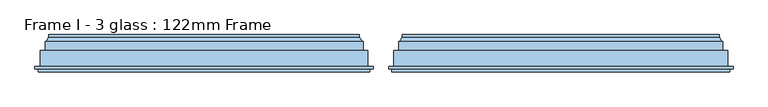
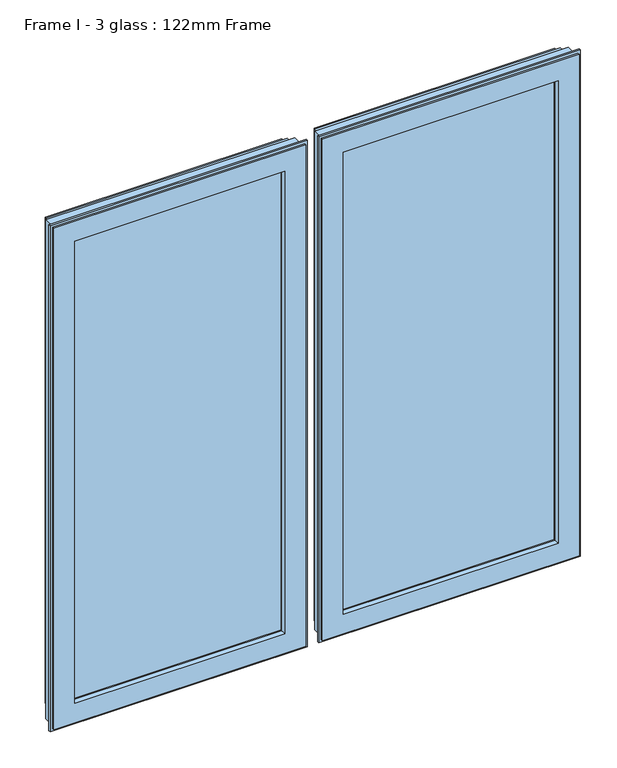
"""IFC4 building model written with IfcOpenShell, lengths in millimetres: window geometry, Frame I - 3 glass : 122mm Frame."""

from ifc_helpers import new_model, si_unit, frame, origin, place, context, project, spatial, polyline, ellipse_curve, outline, extrude, source, transform, mapped, element, save
from ifc_brep_helpers import plane_surface, cylinder_surface, revolved_surface, advanced_brep


def frame_i_3_glass_122mm_frame_a6e06e97(model_context):
    return source(origin(), model_context, "Body", "SolidModel", [
        extrude(outline(polyline([(-296.6666667, 141.0), (297.0666667, 141.0), (297.0666667, 93.0), (-296.6666667, 93.0), (-296.6666667, 141.0)])), frame((0.0, 0.0, 890.0), z_axis=(0.0, 0.0, 1.0), x_axis=(1.0, 0.0, 0.0)), (0.0, 0.0, 1.0), 1320.0),
        advanced_brep(
        [(319.4665133, 153.0, 2232.3998467), (319.4665133, 148.4070391, 2232.3998467), (319.4665133, 148.4070391, 867.6001533), (319.4665133, 153.0, 867.6001533), (324.7406056, 139.5531262, 2237.6739389), (324.7406056, 139.5531262, 862.3260611), (-319.4665133, 148.4070391, 867.6001533), (-319.4665133, 153.0, 867.6001533), (-319.4665133, 153.0, 2232.3998467), (300.0297743, 153.0, 2212.9631076), (-300.0297743, 153.0, 2212.9631076), (-300.0297743, 153.0, 887.0368924), (300.0297743, 153.0, 887.0368924), (326.5800622, 139.5531262, 860.4866045), (-326.5800622, 139.5531262, 860.4866045), (-326.5800622, 139.5531262, 2239.5133955), (326.5800622, 139.5531262, 2239.5133955), (-324.7406056, 139.5531262, 2237.6739389), (-324.7406056, 139.5531262, 862.3260611), (326.5800622, 121.0, 2239.5133955), (326.5800622, 121.0, 860.4866045), (336.5800622, 121.0, 850.4866045), (-336.5800622, 121.0, 850.4866045), (-336.5800622, 121.0, 2249.5133955), (336.5800622, 121.0, 2249.5133955), (-326.5800622, 121.0, 2239.5133955), (-326.5800622, 121.0, 860.4866045), (336.5800622, 88.5, 2249.5133955), (336.5800622, 88.5, 850.4866045), (347.3643666, 88.5, 839.7023001), (-347.3643666, 88.5, 839.7023001), (-347.3643666, 88.5, 2260.2977), (347.3643666, 88.5, 2260.2977), (-336.5800622, 88.5, 2249.5133955), (-336.5800622, 88.5, 850.4866045), (347.3643666, 83.5, 2260.2977), (347.3643666, 83.5, 839.7023001), (-347.3643666, 83.5, 2260.2977), (-347.3643666, 83.5, 839.7023001), (340.5666667, 83.5, 846.5), (-340.5666667, 83.5, 846.5), (-340.5666667, 83.5, 2253.5), (340.5666667, 83.5, 2253.5), (340.5666667, 78.0, 2253.5), (340.5666667, 78.0, 846.5), (-340.5666667, 78.0, 2253.5), (-340.5666667, 78.0, 846.5), (285.3824483, 78.0, 901.6842184), (-285.3824483, 78.0, 901.6842184), (-285.3824483, 78.0, 2198.3157816), (285.3824483, 78.0, 2198.3157816), (283.0669733, 88.8934531, 2196.0003067), (283.0669733, 88.8934531, 903.9996933), (283.0669733, 93.0, 2196.0003067), (283.0669733, 93.0, 903.9996933), (-283.0669733, 88.8934531, 903.9996933), (297.0666667, 93.0, 890.0), (-297.0666667, 93.0, 890.0), (-297.0666667, 93.0, 2210.0), (297.0666667, 93.0, 2210.0), (-283.0669733, 93.0, 2196.0003067), (-283.0669733, 93.0, 903.9996933), (297.0666667, 141.0, 2210.0), (297.0666667, 141.0, 890.0), (-297.0666667, 141.0, 2210.0), (-297.0666667, 141.0, 890.0), (282.6545152, 141.0, 904.4121514), (-282.6545152, 141.0, 904.4121514), (-282.6545152, 141.0, 2195.5878486), (282.6545152, 141.0, 2195.5878486), (286.3232834, 153.0, 2199.2566168), (286.3232834, 153.0, 900.7433832), (293.101571, 153.0, 893.9650956), (-293.101571, 153.0, 893.9650956), (-293.101571, 153.0, 2206.0349044), (293.101571, 153.0, 2206.0349044), (-286.3232834, 153.0, 2199.2566168), (-286.3232834, 153.0, 900.7433832), (294.4006092, 152.25, 2207.3339425), (294.4006092, 152.25, 892.6660575), (298.7307362, 152.25, 2211.6640695), (298.7307362, 152.25, 888.3359305), (-294.4006092, 152.25, 892.6660575), (-298.7307362, 152.25, 888.3359305), (-319.4665133, 148.4070391, 2232.3998467), (-283.0669733, 88.8934531, 2196.0003067), (-294.4006092, 152.25, 2207.3339425), (-298.7307362, 152.25, 2211.6640695)],
        [
            (0, 1),
            (1, 2),
            (2, 3),
            (3, 0),
            (1, 4),
            (4, 5),
            (5, 2),
            (2, 6),
            (6, 7),
            (7, 3),
            (7, 8),
            (8, 0),
            (9, 10),
            (10, 11),
            (11, 12),
            (12, 9),
            (13, 14),
            (14, 15),
            (15, 16),
            (16, 13),
            (4, 17),
            (17, 18),
            (18, 5),
            (18, 6),
            (16, 19),
            (19, 20),
            (20, 13),
            (21, 22),
            (22, 23),
            (23, 24),
            (24, 21),
            (19, 25),
            (25, 26),
            (26, 20),
            (26, 14),
            (24, 27),
            (27, 28),
            (28, 21),
            (29, 30),
            (30, 31),
            (31, 32),
            (32, 29),
            (27, 33),
            (33, 34),
            (34, 28),
            (34, 22),
            (32, 35),
            (35, 36),
            (36, 29),
            (35, 37),
            (37, 38),
            (38, 36),
            (39, 40),
            (40, 41),
            (41, 42),
            (42, 39),
            (38, 30),
            (42, 43),
            (43, 44),
            (44, 39),
            (43, 45),
            (45, 46),
            (46, 44),
            (47, 48),
            (48, 49),
            (49, 50),
            (50, 47),
            (46, 40),
            (50, 51),
            (51, 52),
            (52, 47),
            (51, 53),
            (53, 54),
            (54, 52),
            (52, 55),
            (55, 48),
            (56, 57),
            (57, 58),
            (58, 59),
            (59, 56),
            (53, 60),
            (60, 61),
            (61, 54),
            (61, 55),
            (59, 62),
            (62, 63),
            (63, 56),
            (62, 64),
            (64, 65),
            (65, 63),
            (66, 67),
            (67, 68),
            (68, 69),
            (69, 66),
            (65, 57),
            (69, 70),
            (70, 71),
            (71, 66),
            (72, 73),
            (73, 74),
            (74, 75),
            (75, 72),
            (70, 76),
            (76, 77),
            (77, 71),
            (77, 67),
            (75, 78, ellipse_curve(frame((293.101571, 151.5, 2206.0349044), z_axis=(0.7071067811865474, 0.0, -0.7071067811865476), x_axis=(0.7071067811865475, 0.0, 0.7071067811865475)), 2.1213203, 1.5)),
            (78, 79),
            (79, 72, ellipse_curve(frame((293.101571, 151.5, 893.9650956), z_axis=(0.7071067811865476, 0.0, 0.7071067811865474), x_axis=(-0.7071067811865472, 0.0, 0.7071067811865478)), 2.1213203, 1.5)),
            (78, 80, ellipse_curve(frame((296.5656727, 153.5, 2209.499006), z_axis=(-0.7071067811865474, 0.0, 0.7071067811865476), x_axis=(-0.7071067811865475, 0.0, -0.7071067811865475)), 3.5355339, 2.5)),
            (80, 81),
            (81, 79, ellipse_curve(frame((296.5656727, 153.5, 890.500994), z_axis=(-0.7071067811865476, 0.0, -0.7071067811865474), x_axis=(0.7071067811865472, 0.0, -0.7071067811865478)), 3.5355339, 2.5)),
            (79, 82),
            (82, 73, ellipse_curve(frame((-293.101571, 151.5, 893.9650956), z_axis=(0.7071067811865474, 0.0, -0.7071067811865476), x_axis=(0.7071067811865478, 0.0, 0.7071067811865472)), 2.1213203, 1.5)),
            (80, 9, ellipse_curve(frame((300.0297743, 151.5, 2212.9631076), z_axis=(0.7071067811865474, 0.0, -0.7071067811865476), x_axis=(0.7071067811865475, 0.0, 0.7071067811865475)), 2.1213203, 1.5)),
            (12, 81, ellipse_curve(frame((300.0297743, 151.5, 887.0368924), z_axis=(0.7071067811865476, 0.0, 0.7071067811865474), x_axis=(-0.7071067811865472, 0.0, 0.7071067811865478)), 2.1213203, 1.5)),
            (81, 83),
            (83, 82, ellipse_curve(frame((-296.5656727, 153.5, 890.500994), z_axis=(-0.7071067811865474, 0.0, 0.7071067811865476), x_axis=(-0.7071067811865478, 0.0, -0.7071067811865472)), 3.5355339, 2.5)),
            (11, 83, ellipse_curve(frame((-300.0297743, 151.5, 887.0368924), z_axis=(0.7071067811865474, 0.0, -0.7071067811865476), x_axis=(0.7071067811865478, 0.0, 0.7071067811865472)), 2.1213203, 1.5)),
            (6, 84),
            (84, 8),
            (17, 84),
            (25, 15),
            (33, 23),
            (37, 31),
            (45, 41),
            (55, 85),
            (85, 49),
            (60, 85),
            (64, 58),
            (76, 68),
            (82, 86),
            (86, 74, ellipse_curve(frame((-293.101571, 151.5, 2206.0349044), z_axis=(-0.7071067811865476, 0.0, -0.7071067811865474), x_axis=(0.7071067811865474, 0.0, -0.7071067811865477)), 2.1213203, 1.5)),
            (83, 87),
            (87, 86, ellipse_curve(frame((-296.5656727, 153.5, 2209.499006), z_axis=(0.7071067811865476, 0.0, 0.7071067811865474), x_axis=(-0.7071067811865474, 0.0, 0.7071067811865477)), 3.5355339, 2.5)),
            (10, 87, ellipse_curve(frame((-300.0297743, 151.5, 2212.9631076), z_axis=(-0.7071067811865476, 0.0, -0.7071067811865474), x_axis=(0.7071067811865474, 0.0, -0.7071067811865477)), 2.1213203, 1.5)),
            (84, 1),
            (85, 51),
            (86, 78),
            (87, 80),
        ],
        [
            plane_surface(frame((319.4665133, 148.4070391, 2232.3998467), z_axis=(1.0, 0.0, 0.0), x_axis=(0.0, 0.0, -1.0))),
            plane_surface(frame((324.7406056, 139.5531262, 2237.6739389), z_axis=(0.8591262587254928, 0.5117636872310675, 0.0), x_axis=(0.0, 0.0, -1.0))),
            plane_surface(frame((319.4665133, 148.4070391, 867.6001533), z_axis=(0.0, 0.0, -1.0), x_axis=(-1.0, 0.0, 0.0))),
            plane_surface(frame((-319.4665133, 153.0, 2232.3998467), z_axis=(0.0, 1.0, 0.0), x_axis=(1.0, 0.0, 0.0))),
            plane_surface(frame((-326.5800622, 139.5531262, 2239.5133955), z_axis=(0.0, 1.0, 0.0), x_axis=(1.0, 0.0, 0.0))),
            plane_surface(frame((324.7406056, 139.5531262, 862.3260611), z_axis=(0.0, 0.5117636872310675, -0.8591262587254928), x_axis=(-1.0, 0.0, 0.0))),
            plane_surface(frame((326.5800622, 121.0, 2239.5133955), z_axis=(1.0, 0.0, 0.0), x_axis=(0.0, 0.0, -1.0))),
            plane_surface(frame((-336.5800622, 121.0, 2249.5133955), z_axis=(0.0, 1.0, 0.0), x_axis=(1.0, 0.0, 0.0))),
            plane_surface(frame((326.5800622, 121.0, 860.4866045), z_axis=(0.0, 0.0, -1.0), x_axis=(-1.0, 0.0, 0.0))),
            plane_surface(frame((336.5800622, 88.5, 2249.5133955), z_axis=(1.0, 0.0, 0.0), x_axis=(0.0, 0.0, -1.0))),
            plane_surface(frame((-347.3643666, 88.5, 2260.2977), z_axis=(0.0, 1.0, 0.0), x_axis=(1.0, 0.0, 0.0))),
            plane_surface(frame((336.5800622, 88.5, 850.4866045), z_axis=(0.0, 0.0, -1.0), x_axis=(-1.0, 0.0, 0.0))),
            plane_surface(frame((347.3643666, 83.5, 2260.2977), z_axis=(1.0, 0.0, 0.0), x_axis=(0.0, 0.0, -1.0))),
            plane_surface(frame((-340.5666667, 83.5, 2253.5), z_axis=(0.0, -1.0, 0.0), x_axis=(1.0, 0.0, 0.0))),
            plane_surface(frame((347.3643666, 83.5, 839.7023001), z_axis=(0.0, 0.0, -1.0), x_axis=(-1.0, 0.0, 0.0))),
            plane_surface(frame((340.5666667, 78.0, 2253.5), z_axis=(1.0, 0.0, 0.0), x_axis=(0.0, 0.0, -1.0))),
            plane_surface(frame((-285.3824483, 78.0, 2198.3157816), z_axis=(0.0, -1.0, 0.0), x_axis=(1.0, 0.0, 0.0))),
            plane_surface(frame((340.5666667, 78.0, 846.5), z_axis=(0.0, 0.0, -1.0), x_axis=(-1.0, 0.0, 0.0))),
            plane_surface(frame((283.0669733, 88.8934531, 2196.0003067), z_axis=(-0.9781476007338059, -0.20791169081775832, 0.0), x_axis=(0.0, 0.0, -1.0))),
            plane_surface(frame((283.0669733, 93.0, 2196.0003067), z_axis=(-1.0, 0.0, 0.0), x_axis=(0.0, 0.0, -1.0))),
            plane_surface(frame((283.0669733, 88.8934531, 903.9996933), z_axis=(0.0, -0.20791169081775832, 0.9781476007338059), x_axis=(-1.0, 0.0, 0.0))),
            plane_surface(frame((-297.0666667, 93.0, 2210.0), z_axis=(0.0, 1.0, 0.0), x_axis=(1.0, 0.0, 0.0))),
            plane_surface(frame((283.0669733, 93.0, 903.9996933), z_axis=(0.0, 0.0, 1.0), x_axis=(-1.0, 0.0, 0.0))),
            plane_surface(frame((297.0666667, 141.0, 2210.0), z_axis=(-1.0, 0.0, 0.0), x_axis=(0.0, 0.0, -1.0))),
            plane_surface(frame((-282.6545152, 141.0, 2195.5878486), z_axis=(0.0, -1.0, 0.0), x_axis=(1.0, 0.0, 0.0))),
            plane_surface(frame((297.0666667, 141.0, 890.0), z_axis=(0.0, 0.0, 1.0), x_axis=(-1.0, 0.0, 0.0))),
            plane_surface(frame((286.3232834, 153.0, 2199.2566168), z_axis=(-0.9563047559629768, 0.2923717047229288, 0.0), x_axis=(0.0, 0.0, -1.0))),
            plane_surface(frame((-293.101571, 153.0, 2206.0349044), z_axis=(0.0, 1.0, 0.0), x_axis=(1.0, 0.0, 0.0))),
            plane_surface(frame((286.3232834, 153.0, 900.7433832), z_axis=(0.0, 0.2923717047229288, 0.9563047559629768), x_axis=(-1.0, 0.0, 0.0))),
            cylinder_surface(frame((293.101571, 151.5, 2237.6), z_axis=(0.0, 0.0, 1.0), x_axis=(0.0, 1.0, 0.0)), 1.5),
            revolved_surface(polyline([(296.5656727, 156.0, 888.000994004195), (296.5656727, 156.0, 2211.999005995805)]), (296.5656727, 153.5, 2237.6), (0.0, 0.0, -1.0)),
            cylinder_surface(frame((324.6666667, 151.5, 893.9650956), z_axis=(1.0, 0.0, 0.0), x_axis=(0.0, 1.0, 0.0)), 1.5),
            cylinder_surface(frame((300.0297743, 151.5, 2237.6), z_axis=(0.0, 0.0, 1.0), x_axis=(0.0, 1.0, 0.0)), 1.5),
            revolved_surface(polyline([(-299.06567269580495, 156.0, 890.500994), (299.0656726958049, 156.0, 890.500994)]), (324.6666667, 153.5, 890.500994), (-1.0, 0.0, 0.0)),
            cylinder_surface(frame((324.6666667, 151.5, 887.0368924), z_axis=(1.0, 0.0, 0.0), x_axis=(0.0, 1.0, 0.0)), 1.5),
            plane_surface(frame((-319.4665133, 148.4070391, 867.6001533), z_axis=(-1.0, 0.0, 0.0), x_axis=(0.0, 0.0, 1.0))),
            plane_surface(frame((-324.7406056, 139.5531262, 862.3260611), z_axis=(-0.8591262587254928, 0.5117636872310675, 0.0), x_axis=(0.0, 0.0, 1.0))),
            plane_surface(frame((-326.5800622, 121.0, 860.4866045), z_axis=(-1.0, 0.0, 0.0), x_axis=(0.0, 0.0, 1.0))),
            plane_surface(frame((-336.5800622, 88.5, 850.4866045), z_axis=(-1.0, 0.0, 0.0), x_axis=(0.0, 0.0, 1.0))),
            plane_surface(frame((-347.3643666, 83.5, 839.7023001), z_axis=(-1.0, 0.0, 0.0), x_axis=(0.0, 0.0, 1.0))),
            plane_surface(frame((-340.5666667, 78.0, 846.5), z_axis=(-1.0, 0.0, 0.0), x_axis=(0.0, 0.0, 1.0))),
            plane_surface(frame((-283.0669733, 88.8934531, 903.9996933), z_axis=(0.9781476007338059, -0.20791169081775832, 0.0), x_axis=(0.0, 0.0, 1.0))),
            plane_surface(frame((-283.0669733, 93.0, 903.9996933), z_axis=(1.0, 0.0, 0.0), x_axis=(0.0, 0.0, 1.0))),
            plane_surface(frame((-297.0666667, 141.0, 890.0), z_axis=(1.0, 0.0, 0.0), x_axis=(0.0, 0.0, 1.0))),
            plane_surface(frame((-286.3232834, 153.0, 900.7433832), z_axis=(0.9563047559629768, 0.2923717047229288, 0.0), x_axis=(0.0, 0.0, 1.0))),
            cylinder_surface(frame((-293.101571, 151.5, 862.4), z_axis=(0.0, 0.0, -1.0), x_axis=(0.0, 1.0, 0.0)), 1.5),
            revolved_surface(polyline([(-296.5656727, 156.0, 2211.999005995805), (-296.5656727, 156.0, 888.000994004195)]), (-296.5656727, 153.5, 862.4), (0.0, 0.0, 1.0)),
            cylinder_surface(frame((-300.0297743, 151.5, 862.4), z_axis=(0.0, 0.0, -1.0), x_axis=(0.0, 1.0, 0.0)), 1.5),
            plane_surface(frame((-319.4665133, 148.4070391, 2232.3998467), z_axis=(0.0, 0.0, 1.0), x_axis=(1.0, 0.0, 0.0))),
            plane_surface(frame((-324.7406056, 139.5531262, 2237.6739389), z_axis=(0.0, 0.5117636872310675, 0.8591262587254928), x_axis=(1.0, 0.0, 0.0))),
            plane_surface(frame((-326.5800622, 121.0, 2239.5133955), z_axis=(0.0, 0.0, 1.0), x_axis=(1.0, 0.0, 0.0))),
            plane_surface(frame((-336.5800622, 88.5, 2249.5133955), z_axis=(0.0, 0.0, 1.0), x_axis=(1.0, 0.0, 0.0))),
            plane_surface(frame((-347.3643666, 83.5, 2260.2977), z_axis=(0.0, 0.0, 1.0), x_axis=(1.0, 0.0, 0.0))),
            plane_surface(frame((-340.5666667, 78.0, 2253.5), z_axis=(0.0, 0.0, 1.0), x_axis=(1.0, 0.0, 0.0))),
            plane_surface(frame((-283.0669733, 88.8934531, 2196.0003067), z_axis=(0.0, -0.20791169081775832, -0.9781476007338059), x_axis=(1.0, 0.0, 0.0))),
            plane_surface(frame((-283.0669733, 93.0, 2196.0003067), z_axis=(0.0, 0.0, -1.0), x_axis=(1.0, 0.0, 0.0))),
            plane_surface(frame((-297.0666667, 141.0, 2210.0), z_axis=(0.0, 0.0, -1.0), x_axis=(1.0, 0.0, 0.0))),
            plane_surface(frame((-286.3232834, 153.0, 2199.2566168), z_axis=(0.0, 0.2923717047229288, -0.9563047559629768), x_axis=(1.0, 0.0, 0.0))),
            cylinder_surface(frame((-324.6666667, 151.5, 2206.0349044), z_axis=(-1.0, 0.0, 0.0), x_axis=(0.0, 1.0, 0.0)), 1.5),
            revolved_surface(polyline([(299.06567269580495, 156.0, 2209.499006), (-299.0656726958049, 156.0, 2209.499006)]), (-324.6666667, 153.5, 2209.499006), (1.0, 0.0, 0.0)),
            cylinder_surface(frame((-324.6666667, 151.5, 2212.9631076), z_axis=(-1.0, 0.0, 0.0), x_axis=(0.0, 1.0, 0.0)), 1.5),
        ],
        [
            (0, [[1, 2, 3, 4]]),
            (1, [[5, 6, 7, -2]]),
            (2, [[-3, 8, 9, 10]]),
            (3, [[-10, 11, 12, -4], [13, 14, 15, 16]]),
            (4, [[17, 18, 19, 20], [21, 22, 23, -6]]),
            (5, [[-7, -23, 24, -8]]),
            (6, [[25, 26, 27, -20]]),
            (7, [[28, 29, 30, 31], [32, 33, 34, -26]]),
            (8, [[-27, -34, 35, -17]]),
            (9, [[36, 37, 38, -31]]),
            (10, [[39, 40, 41, 42], [43, 44, 45, -37]]),
            (11, [[-38, -45, 46, -28]]),
            (12, [[47, 48, 49, -42]]),
            (13, [[50, 51, 52, -48], [53, 54, 55, 56]]),
            (14, [[-49, -52, 57, -39]]),
            (15, [[58, 59, 60, -56]]),
            (16, [[61, 62, 63, -59], [64, 65, 66, 67]]),
            (17, [[-60, -63, 68, -53]]),
            (18, [[69, 70, 71, -67]]),
            (19, [[72, 73, 74, -70]]),
            (20, [[-71, 75, 76, -64]]),
            (21, [[77, 78, 79, 80], [81, 82, 83, -73]]),
            (22, [[-74, -83, 84, -75]]),
            (23, [[85, 86, 87, -80]]),
            (24, [[88, 89, 90, -86], [91, 92, 93, 94]]),
            (25, [[-87, -90, 95, -77]]),
            (26, [[96, 97, 98, -94]]),
            (27, [[99, 100, 101, 102], [103, 104, 105, -97]]),
            (28, [[-98, -105, 106, -91]]),
            (29, [[107, 108, 109, -102]]),
            (30, [[110, 111, 112, -108]]),
            (31, [[-109, 113, 114, -99]]),
            (32, [[115, -16, 116, -111]]),
            (33, [[-112, 117, 118, -113]]),
            (34, [[-116, -15, 119, -117]]),
            (35, [[-9, 120, 121, -11]]),
            (36, [[-24, -22, 122, -120]]),
            (37, [[-35, -33, 123, -18]]),
            (38, [[-46, -44, 124, -29]]),
            (39, [[-57, -51, 125, -40]]),
            (40, [[-68, -62, 126, -54]]),
            (41, [[-76, 127, 128, -65]]),
            (42, [[-84, -82, 129, -127]]),
            (43, [[-95, -89, 130, -78]]),
            (44, [[-106, -104, 131, -92]]),
            (45, [[-114, 132, 133, -100]]),
            (46, [[-118, 134, 135, -132]]),
            (47, [[-119, -14, 136, -134]]),
            (48, [[-121, 137, -1, -12]]),
            (49, [[-122, -21, -5, -137]]),
            (50, [[-123, -32, -25, -19]]),
            (51, [[-124, -43, -36, -30]]),
            (52, [[-125, -50, -47, -41]]),
            (53, [[-126, -61, -58, -55]]),
            (54, [[-128, 138, -69, -66]]),
            (55, [[-129, -81, -72, -138]]),
            (56, [[-130, -88, -85, -79]]),
            (57, [[-131, -103, -96, -93]]),
            (58, [[-133, 139, -107, -101]]),
            (59, [[-135, 140, -110, -139]]),
            (60, [[-136, -13, -115, -140]]),
        ],
    ),
        extrude(outline(polyline([(-1010.0, 141.0), (-428.2666667, 141.0), (-428.2666667, 93.0), (-1010.0, 93.0), (-1010.0, 141.0)])), frame((0.0, 0.0, 890.0), z_axis=(0.0, 0.0, 1.0), x_axis=(1.0, 0.0, 0.0)), (0.0, 0.0, 1.0), 1320.0),
        advanced_brep(
        [(-405.86682, 153.0, 2232.3998467), (-405.86682, 148.4070391, 2232.3998467), (-405.86682, 148.4070391, 867.6001533), (-405.86682, 153.0, 867.6001533), (-400.5927278, 139.5531262, 2237.6739389), (-400.5927278, 139.5531262, 862.3260611), (-1032.3998467, 148.4070391, 867.6001533), (-1032.3998467, 153.0, 867.6001533), (-1032.3998467, 153.0, 2232.3998467), (-425.3035591, 153.0, 2212.9631076), (-1012.9631076, 153.0, 2212.9631076), (-1012.9631076, 153.0, 887.0368924), (-425.3035591, 153.0, 887.0368924), (-398.7532711, 139.5531262, 860.4866045), (-1039.5133955, 139.5531262, 860.4866045), (-1039.5133955, 139.5531262, 2239.5133955), (-398.7532711, 139.5531262, 2239.5133955), (-1037.6739389, 139.5531262, 2237.6739389), (-1037.6739389, 139.5531262, 862.3260611), (-398.7532711, 121.0, 2239.5133955), (-398.7532711, 121.0, 860.4866045), (-388.7532711, 121.0, 850.4866045), (-1049.5133955, 121.0, 850.4866045), (-1049.5133955, 121.0, 2249.5133955), (-388.7532711, 121.0, 2249.5133955), (-1039.5133955, 121.0, 2239.5133955), (-1039.5133955, 121.0, 860.4866045), (-388.7532711, 88.5, 2249.5133955), (-388.7532711, 88.5, 850.4866045), (-377.9689667, 88.5, 839.7023001), (-1060.2977, 88.5, 839.7023001), (-1060.2977, 88.5, 2260.2977), (-377.9689667, 88.5, 2260.2977), (-1049.5133955, 88.5, 2249.5133955), (-1049.5133955, 88.5, 850.4866045), (-377.9689667, 83.5, 2260.2977), (-377.9689667, 83.5, 839.7023001), (-1060.2977, 83.5, 2260.2977), (-1060.2977, 83.5, 839.7023001), (-384.7666667, 83.5, 846.5), (-1053.5, 83.5, 846.5), (-1053.5, 83.5, 2253.5), (-384.7666667, 83.5, 2253.5), (-384.7666667, 78.0, 2253.5), (-384.7666667, 78.0, 846.5), (-1053.5, 78.0, 2253.5), (-1053.5, 78.0, 846.5), (-439.9508851, 78.0, 901.6842184), (-998.3157816, 78.0, 901.6842184), (-998.3157816, 78.0, 2198.3157816), (-439.9508851, 78.0, 2198.3157816), (-442.26636, 88.8934531, 2196.0003067), (-442.26636, 88.8934531, 903.9996933), (-442.26636, 93.0, 2196.0003067), (-442.26636, 93.0, 903.9996933), (-996.0003067, 88.8934531, 903.9996933), (-428.2666667, 93.0, 890.0), (-1010.0, 93.0, 890.0), (-1010.0, 93.0, 2210.0), (-428.2666667, 93.0, 2210.0), (-996.0003067, 93.0, 2196.0003067), (-996.0003067, 93.0, 903.9996933), (-428.2666667, 141.0, 2210.0), (-428.2666667, 141.0, 890.0), (-1010.0, 141.0, 2210.0), (-1010.0, 141.0, 890.0), (-442.6788181, 141.0, 904.4121514), (-995.5878486, 141.0, 904.4121514), (-995.5878486, 141.0, 2195.5878486), (-442.6788181, 141.0, 2195.5878486), (-439.0100499, 153.0, 2199.2566168), (-439.0100499, 153.0, 900.7433832), (-432.2317623, 153.0, 893.9650956), (-1006.0349044, 153.0, 893.9650956), (-1006.0349044, 153.0, 2206.0349044), (-432.2317623, 153.0, 2206.0349044), (-999.2566168, 153.0, 2199.2566168), (-999.2566168, 153.0, 900.7433832), (-430.9327242, 152.25, 2207.3339425), (-430.9327242, 152.25, 892.6660575), (-426.6025972, 152.25, 2211.6640695), (-426.6025972, 152.25, 888.3359305), (-1007.3339425, 152.25, 892.6660575), (-1011.6640695, 152.25, 888.3359305), (-1032.3998467, 148.4070391, 2232.3998467), (-996.0003067, 88.8934531, 2196.0003067), (-1007.3339425, 152.25, 2207.3339425), (-1011.6640695, 152.25, 2211.6640695)],
        [
            (0, 1),
            (1, 2),
            (2, 3),
            (3, 0),
            (1, 4),
            (4, 5),
            (5, 2),
            (2, 6),
            (6, 7),
            (7, 3),
            (7, 8),
            (8, 0),
            (9, 10),
            (10, 11),
            (11, 12),
            (12, 9),
            (13, 14),
            (14, 15),
            (15, 16),
            (16, 13),
            (4, 17),
            (17, 18),
            (18, 5),
            (18, 6),
            (16, 19),
            (19, 20),
            (20, 13),
            (21, 22),
            (22, 23),
            (23, 24),
            (24, 21),
            (19, 25),
            (25, 26),
            (26, 20),
            (26, 14),
            (24, 27),
            (27, 28),
            (28, 21),
            (29, 30),
            (30, 31),
            (31, 32),
            (32, 29),
            (27, 33),
            (33, 34),
            (34, 28),
            (34, 22),
            (32, 35),
            (35, 36),
            (36, 29),
            (35, 37),
            (37, 38),
            (38, 36),
            (39, 40),
            (40, 41),
            (41, 42),
            (42, 39),
            (38, 30),
            (42, 43),
            (43, 44),
            (44, 39),
            (43, 45),
            (45, 46),
            (46, 44),
            (47, 48),
            (48, 49),
            (49, 50),
            (50, 47),
            (46, 40),
            (50, 51),
            (51, 52),
            (52, 47),
            (51, 53),
            (53, 54),
            (54, 52),
            (52, 55),
            (55, 48),
            (56, 57),
            (57, 58),
            (58, 59),
            (59, 56),
            (53, 60),
            (60, 61),
            (61, 54),
            (61, 55),
            (59, 62),
            (62, 63),
            (63, 56),
            (62, 64),
            (64, 65),
            (65, 63),
            (66, 67),
            (67, 68),
            (68, 69),
            (69, 66),
            (65, 57),
            (69, 70),
            (70, 71),
            (71, 66),
            (72, 73),
            (73, 74),
            (74, 75),
            (75, 72),
            (70, 76),
            (76, 77),
            (77, 71),
            (77, 67),
            (75, 78, ellipse_curve(frame((-432.2317623, 151.5, 2206.0349044), z_axis=(0.7071067811865472, 0.0, -0.7071067811865478), x_axis=(0.7071067811865478, 0.0, 0.7071067811865474)), 2.1213203, 1.5)),
            (78, 79),
            (79, 72, ellipse_curve(frame((-432.2317623, 151.5, 893.9650956), z_axis=(0.7071067811865476, 0.0, 0.7071067811865474), x_axis=(-0.7071067811865472, 0.0, 0.7071067811865478)), 2.1213203, 1.5)),
            (78, 80, ellipse_curve(frame((-428.7676607, 153.5, 2209.499006), z_axis=(-0.7071067811865472, 0.0, 0.7071067811865478), x_axis=(-0.7071067811865478, 0.0, -0.7071067811865474)), 3.5355339, 2.5)),
            (80, 81),
            (81, 79, ellipse_curve(frame((-428.7676607, 153.5, 890.500994), z_axis=(-0.7071067811865476, 0.0, -0.7071067811865474), x_axis=(0.7071067811865472, 0.0, -0.7071067811865478)), 3.5355339, 2.5)),
            (79, 82),
            (82, 73, ellipse_curve(frame((-1006.0349044, 151.5, 893.9650956), z_axis=(0.7071067811865474, 0.0, -0.7071067811865476), x_axis=(0.7071067811865478, 0.0, 0.7071067811865472)), 2.1213203, 1.5)),
            (80, 9, ellipse_curve(frame((-425.3035591, 151.5, 2212.9631076), z_axis=(0.7071067811865472, 0.0, -0.7071067811865478), x_axis=(0.7071067811865478, 0.0, 0.7071067811865474)), 2.1213203, 1.5)),
            (12, 81, ellipse_curve(frame((-425.3035591, 151.5, 887.0368924), z_axis=(0.7071067811865476, 0.0, 0.7071067811865474), x_axis=(-0.7071067811865472, 0.0, 0.7071067811865478)), 2.1213203, 1.5)),
            (81, 83),
            (83, 82, ellipse_curve(frame((-1009.499006, 153.5, 890.500994), z_axis=(-0.7071067811865474, 0.0, 0.7071067811865476), x_axis=(-0.7071067811865478, 0.0, -0.7071067811865472)), 3.5355339, 2.5)),
            (11, 83, ellipse_curve(frame((-1012.9631076, 151.5, 887.0368924), z_axis=(0.7071067811865474, 0.0, -0.7071067811865476), x_axis=(0.7071067811865478, 0.0, 0.7071067811865472)), 2.1213203, 1.5)),
            (6, 84),
            (84, 8),
            (17, 84),
            (25, 15),
            (33, 23),
            (37, 31),
            (45, 41),
            (55, 85),
            (85, 49),
            (60, 85),
            (64, 58),
            (76, 68),
            (82, 86),
            (86, 74, ellipse_curve(frame((-1006.0349044, 151.5, 2206.0349044), z_axis=(-0.7071067811865477, 0.0, -0.7071067811865471), x_axis=(0.7071067811865469, 0.0, -0.707106781186548)), 2.1213203, 1.5)),
            (83, 87),
            (87, 86, ellipse_curve(frame((-1009.499006, 153.5, 2209.499006), z_axis=(0.7071067811865477, 0.0, 0.7071067811865471), x_axis=(-0.7071067811865469, 0.0, 0.707106781186548)), 3.5355339, 2.5)),
            (10, 87, ellipse_curve(frame((-1012.9631076, 151.5, 2212.9631076), z_axis=(-0.7071067811865477, 0.0, -0.7071067811865471), x_axis=(0.7071067811865469, 0.0, -0.707106781186548)), 2.1213203, 1.5)),
            (84, 1),
            (85, 51),
            (86, 78),
            (87, 80),
        ],
        [
            plane_surface(frame((-405.86682, 148.4070391, 2232.3998467), z_axis=(1.0, 0.0, 0.0), x_axis=(0.0, 0.0, -1.0))),
            plane_surface(frame((-400.5927278, 139.5531262, 2237.6739389), z_axis=(0.8591262587254928, 0.5117636872310675, 0.0), x_axis=(0.0, 0.0, -1.0))),
            plane_surface(frame((-405.86682, 148.4070391, 867.6001533), z_axis=(0.0, 0.0, -1.0), x_axis=(-1.0, 0.0, 0.0))),
            plane_surface(frame((-1032.3998467, 153.0, 2232.3998467), z_axis=(0.0, 1.0, 0.0), x_axis=(1.0, 0.0, 0.0))),
            plane_surface(frame((-1039.5133955, 139.5531262, 2239.5133955), z_axis=(0.0, 1.0, 0.0), x_axis=(1.0, 0.0, 0.0))),
            plane_surface(frame((-400.5927278, 139.5531262, 862.3260611), z_axis=(0.0, 0.5117636872310675, -0.8591262587254928), x_axis=(-1.0, 0.0, 0.0))),
            plane_surface(frame((-398.7532711, 121.0, 2239.5133955), z_axis=(1.0, 0.0, 0.0), x_axis=(0.0, 0.0, -1.0))),
            plane_surface(frame((-1049.5133955, 121.0, 2249.5133955), z_axis=(0.0, 1.0, 0.0), x_axis=(1.0, 0.0, 0.0))),
            plane_surface(frame((-398.7532711, 121.0, 860.4866045), z_axis=(0.0, 0.0, -1.0), x_axis=(-1.0, 0.0, 0.0))),
            plane_surface(frame((-388.7532711, 88.5, 2249.5133955), z_axis=(1.0, 0.0, 0.0), x_axis=(0.0, 0.0, -1.0))),
            plane_surface(frame((-1060.2977, 88.5, 2260.2977), z_axis=(0.0, 1.0, 0.0), x_axis=(1.0, 0.0, 0.0))),
            plane_surface(frame((-388.7532711, 88.5, 850.4866045), z_axis=(0.0, 0.0, -1.0), x_axis=(-1.0, 0.0, 0.0))),
            plane_surface(frame((-377.9689667, 83.5, 2260.2977), z_axis=(1.0, 0.0, 0.0), x_axis=(0.0, 0.0, -1.0))),
            plane_surface(frame((-1053.5, 83.5, 2253.5), z_axis=(0.0, -1.0, 0.0), x_axis=(1.0, 0.0, 0.0))),
            plane_surface(frame((-377.9689667, 83.5, 839.7023001), z_axis=(0.0, 0.0, -1.0), x_axis=(-1.0, 0.0, 0.0))),
            plane_surface(frame((-384.7666667, 78.0, 2253.5), z_axis=(1.0, 0.0, 0.0), x_axis=(0.0, 0.0, -1.0))),
            plane_surface(frame((-998.3157816, 78.0, 2198.3157816), z_axis=(0.0, -1.0, 0.0), x_axis=(1.0, 0.0, 0.0))),
            plane_surface(frame((-384.7666667, 78.0, 846.5), z_axis=(0.0, 0.0, -1.0), x_axis=(-1.0, 0.0, 0.0))),
            plane_surface(frame((-442.26636, 88.8934531, 2196.0003067), z_axis=(-0.9781476007338059, -0.20791169081775832, 0.0), x_axis=(0.0, 0.0, -1.0))),
            plane_surface(frame((-442.26636, 93.0, 2196.0003067), z_axis=(-1.0, 0.0, 0.0), x_axis=(0.0, 0.0, -1.0))),
            plane_surface(frame((-442.26636, 88.8934531, 903.9996933), z_axis=(0.0, -0.20791169081775832, 0.9781476007338059), x_axis=(-1.0, 0.0, 0.0))),
            plane_surface(frame((-1010.0, 93.0, 2210.0), z_axis=(0.0, 1.0, 0.0), x_axis=(1.0, 0.0, 0.0))),
            plane_surface(frame((-442.26636, 93.0, 903.9996933), z_axis=(0.0, 0.0, 1.0), x_axis=(-1.0, 0.0, 0.0))),
            plane_surface(frame((-428.2666667, 141.0, 2210.0), z_axis=(-1.0, 0.0, 0.0), x_axis=(0.0, 0.0, -1.0))),
            plane_surface(frame((-995.5878486, 141.0, 2195.5878486), z_axis=(0.0, -1.0, 0.0), x_axis=(1.0, 0.0, 0.0))),
            plane_surface(frame((-428.2666667, 141.0, 890.0), z_axis=(0.0, 0.0, 1.0), x_axis=(-1.0, 0.0, 0.0))),
            plane_surface(frame((-439.0100499, 153.0, 2199.2566168), z_axis=(-0.9563047559629768, 0.2923717047229288, 0.0), x_axis=(0.0, 0.0, -1.0))),
            plane_surface(frame((-1006.0349044, 153.0, 2206.0349044), z_axis=(0.0, 1.0, 0.0), x_axis=(1.0, 0.0, 0.0))),
            plane_surface(frame((-439.0100499, 153.0, 900.7433832), z_axis=(0.0, 0.2923717047229288, 0.9563047559629768), x_axis=(-1.0, 0.0, 0.0))),
            cylinder_surface(frame((-432.2317623, 151.5, 2237.6), z_axis=(0.0, 0.0, 1.0), x_axis=(0.0, 1.0, 0.0)), 1.5),
            revolved_surface(polyline([(-428.7676607, 156.0, 888.000994004195), (-428.7676607, 156.0, 2211.999005995805)]), (-428.7676607, 153.5, 2237.6), (0.0, 0.0, -1.0)),
            cylinder_surface(frame((-400.6666667, 151.5, 893.9650956), z_axis=(1.0, 0.0, 0.0), x_axis=(0.0, 1.0, 0.0)), 1.5),
            cylinder_surface(frame((-425.3035591, 151.5, 2237.6), z_axis=(0.0, 0.0, 1.0), x_axis=(0.0, 1.0, 0.0)), 1.5),
            revolved_surface(polyline([(-1011.999005995805, 156.0, 890.500994), (-426.2676607041951, 156.0, 890.500994)]), (-400.6666667, 153.5, 890.500994), (-1.0, 0.0, 0.0)),
            cylinder_surface(frame((-400.6666667, 151.5, 887.0368924), z_axis=(1.0, 0.0, 0.0), x_axis=(0.0, 1.0, 0.0)), 1.5),
            plane_surface(frame((-1032.3998467, 148.4070391, 867.6001533), z_axis=(-1.0, 0.0, 0.0), x_axis=(0.0, 0.0, 1.0))),
            plane_surface(frame((-1037.6739389, 139.5531262, 862.3260611), z_axis=(-0.8591262587254928, 0.5117636872310675, 0.0), x_axis=(0.0, 0.0, 1.0))),
            plane_surface(frame((-1039.5133955, 121.0, 860.4866045), z_axis=(-1.0, 0.0, 0.0), x_axis=(0.0, 0.0, 1.0))),
            plane_surface(frame((-1049.5133955, 88.5, 850.4866045), z_axis=(-1.0, 0.0, 0.0), x_axis=(0.0, 0.0, 1.0))),
            plane_surface(frame((-1060.2977, 83.5, 839.7023001), z_axis=(-1.0, 0.0, 0.0), x_axis=(0.0, 0.0, 1.0))),
            plane_surface(frame((-1053.5, 78.0, 846.5), z_axis=(-1.0, 0.0, 0.0), x_axis=(0.0, 0.0, 1.0))),
            plane_surface(frame((-996.0003067, 88.8934531, 903.9996933), z_axis=(0.9781476007338059, -0.20791169081775832, 0.0), x_axis=(0.0, 0.0, 1.0))),
            plane_surface(frame((-996.0003067, 93.0, 903.9996933), z_axis=(1.0, 0.0, 0.0), x_axis=(0.0, 0.0, 1.0))),
            plane_surface(frame((-1010.0, 141.0, 890.0), z_axis=(1.0, 0.0, 0.0), x_axis=(0.0, 0.0, 1.0))),
            plane_surface(frame((-999.2566168, 153.0, 900.7433832), z_axis=(0.9563047559629768, 0.2923717047229288, 0.0), x_axis=(0.0, 0.0, 1.0))),
            cylinder_surface(frame((-1006.0349044, 151.5, 862.4), z_axis=(0.0, 0.0, -1.0), x_axis=(0.0, 1.0, 0.0)), 1.5),
            revolved_surface(polyline([(-1009.499006, 156.0, 2211.999005995805), (-1009.499006, 156.0, 888.000994004195)]), (-1009.499006, 153.5, 862.4), (0.0, 0.0, 1.0)),
            cylinder_surface(frame((-1012.9631076, 151.5, 862.4), z_axis=(0.0, 0.0, -1.0), x_axis=(0.0, 1.0, 0.0)), 1.5),
            plane_surface(frame((-1032.3998467, 148.4070391, 2232.3998467), z_axis=(0.0, 0.0, 1.0), x_axis=(1.0, 0.0, 0.0))),
            plane_surface(frame((-1037.6739389, 139.5531262, 2237.6739389), z_axis=(0.0, 0.5117636872310675, 0.8591262587254928), x_axis=(1.0, 0.0, 0.0))),
            plane_surface(frame((-1039.5133955, 121.0, 2239.5133955), z_axis=(0.0, 0.0, 1.0), x_axis=(1.0, 0.0, 0.0))),
            plane_surface(frame((-1049.5133955, 88.5, 2249.5133955), z_axis=(0.0, 0.0, 1.0), x_axis=(1.0, 0.0, 0.0))),
            plane_surface(frame((-1060.2977, 83.5, 2260.2977), z_axis=(0.0, 0.0, 1.0), x_axis=(1.0, 0.0, 0.0))),
            plane_surface(frame((-1053.5, 78.0, 2253.5), z_axis=(0.0, 0.0, 1.0), x_axis=(1.0, 0.0, 0.0))),
            plane_surface(frame((-996.0003067, 88.8934531, 2196.0003067), z_axis=(0.0, -0.20791169081775832, -0.9781476007338059), x_axis=(1.0, 0.0, 0.0))),
            plane_surface(frame((-996.0003067, 93.0, 2196.0003067), z_axis=(0.0, 0.0, -1.0), x_axis=(1.0, 0.0, 0.0))),
            plane_surface(frame((-1010.0, 141.0, 2210.0), z_axis=(0.0, 0.0, -1.0), x_axis=(1.0, 0.0, 0.0))),
            plane_surface(frame((-999.2566168, 153.0, 2199.2566168), z_axis=(0.0, 0.2923717047229288, -0.9563047559629768), x_axis=(1.0, 0.0, 0.0))),
            cylinder_surface(frame((-1037.6, 151.5, 2206.0349044), z_axis=(-1.0, 0.0, 0.0), x_axis=(0.0, 1.0, 0.0)), 1.5),
            revolved_surface(polyline([(-426.2676607041951, 156.0, 2209.499006), (-1011.999005995805, 156.0, 2209.499006)]), (-1037.6, 153.5, 2209.499006), (1.0, 0.0, 0.0)),
            cylinder_surface(frame((-1037.6, 151.5, 2212.9631076), z_axis=(-1.0, 0.0, 0.0), x_axis=(0.0, 1.0, 0.0)), 1.5),
        ],
        [
            (0, [[1, 2, 3, 4]]),
            (1, [[5, 6, 7, -2]]),
            (2, [[-3, 8, 9, 10]]),
            (3, [[-10, 11, 12, -4], [13, 14, 15, 16]]),
            (4, [[17, 18, 19, 20], [21, 22, 23, -6]]),
            (5, [[-7, -23, 24, -8]]),
            (6, [[25, 26, 27, -20]]),
            (7, [[28, 29, 30, 31], [32, 33, 34, -26]]),
            (8, [[-27, -34, 35, -17]]),
            (9, [[36, 37, 38, -31]]),
            (10, [[39, 40, 41, 42], [43, 44, 45, -37]]),
            (11, [[-38, -45, 46, -28]]),
            (12, [[47, 48, 49, -42]]),
            (13, [[50, 51, 52, -48], [53, 54, 55, 56]]),
            (14, [[-49, -52, 57, -39]]),
            (15, [[58, 59, 60, -56]]),
            (16, [[61, 62, 63, -59], [64, 65, 66, 67]]),
            (17, [[-60, -63, 68, -53]]),
            (18, [[69, 70, 71, -67]]),
            (19, [[72, 73, 74, -70]]),
            (20, [[-71, 75, 76, -64]]),
            (21, [[77, 78, 79, 80], [81, 82, 83, -73]]),
            (22, [[-74, -83, 84, -75]]),
            (23, [[85, 86, 87, -80]]),
            (24, [[88, 89, 90, -86], [91, 92, 93, 94]]),
            (25, [[-87, -90, 95, -77]]),
            (26, [[96, 97, 98, -94]]),
            (27, [[99, 100, 101, 102], [103, 104, 105, -97]]),
            (28, [[-98, -105, 106, -91]]),
            (29, [[107, 108, 109, -102]]),
            (30, [[110, 111, 112, -108]]),
            (31, [[-109, 113, 114, -99]]),
            (32, [[115, -16, 116, -111]]),
            (33, [[-112, 117, 118, -113]]),
            (34, [[-116, -15, 119, -117]]),
            (35, [[-9, 120, 121, -11]]),
            (36, [[-24, -22, 122, -120]]),
            (37, [[-35, -33, 123, -18]]),
            (38, [[-46, -44, 124, -29]]),
            (39, [[-57, -51, 125, -40]]),
            (40, [[-68, -62, 126, -54]]),
            (41, [[-76, 127, 128, -65]]),
            (42, [[-84, -82, 129, -127]]),
            (43, [[-95, -89, 130, -78]]),
            (44, [[-106, -104, 131, -92]]),
            (45, [[-114, 132, 133, -100]]),
            (46, [[-118, 134, 135, -132]]),
            (47, [[-119, -14, 136, -134]]),
            (48, [[-121, 137, -1, -12]]),
            (49, [[-122, -21, -5, -137]]),
            (50, [[-123, -32, -25, -19]]),
            (51, [[-124, -43, -36, -30]]),
            (52, [[-125, -50, -47, -41]]),
            (53, [[-126, -61, -58, -55]]),
            (54, [[-128, 138, -69, -66]]),
            (55, [[-129, -81, -72, -138]]),
            (56, [[-130, -88, -85, -79]]),
            (57, [[-131, -103, -96, -93]]),
            (58, [[-133, 139, -107, -101]]),
            (59, [[-135, 140, -110, -139]]),
            (60, [[-136, -13, -115, -140]]),
        ],
    ),
    ])


if __name__ == "__main__":
    model = new_model("IFC4")
    model_context = context("Model", 3, world=origin())
    ifc_project = project(units=[si_unit("LENGTHUNIT", "METRE", prefix="MILLI")], contexts=[model_context])
    site = spatial("IfcSite", under=ifc_project)
    building = spatial("IfcBuilding", under=site)
    placement = place(None, origin())
    frame_i_3_glass_122mm_frame_shape = frame_i_3_glass_122mm_frame_a6e06e97(model_context)
    element("IfcWindow", 1, ObjectType="Frame I - 3 glass : 122mm Frame", at=placement, inside=building, context=model_context, shape_type="MappedRepresentation", body=[
        mapped(frame_i_3_glass_122mm_frame_shape, transform((0.0, 0.0, 0.0), x_axis=(1.0, 0.0, 0.0), y_axis=(0.0, 1.0, 0.0), z_axis=(0.0, 0.0, 1.0))),
    ])
    save(model, "model.ifc")
